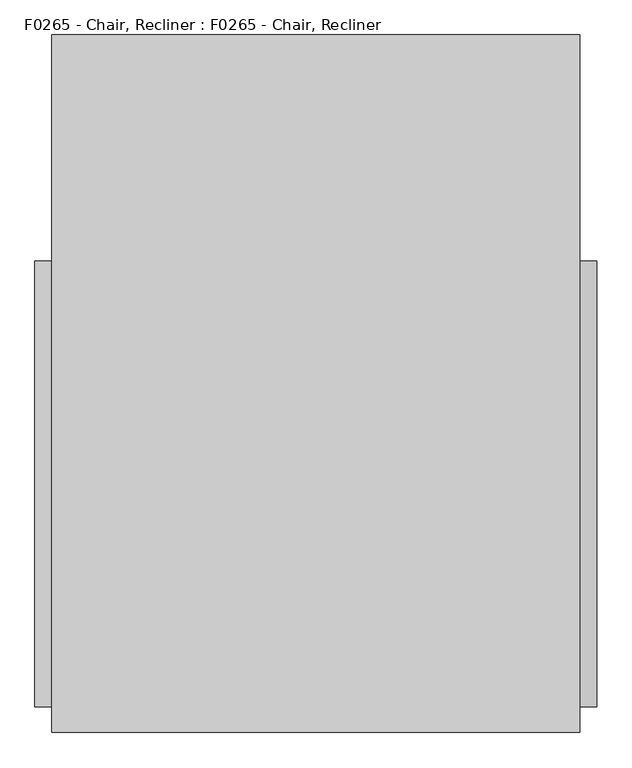
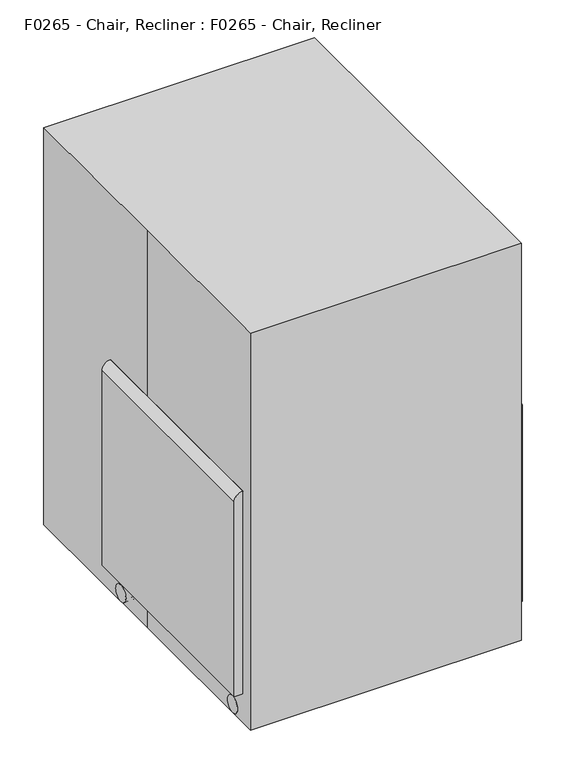
"""IFC4 building model written with IfcOpenShell, lengths in millimetres: proxy geometry, F0265 - Chair, Recliner : F0265 - Chair, Recliner."""

import ifcopenshell
import ifcopenshell.guid

model = None  # the IFC model being written
_history = None  # IfcOwnerHistory: only IFC2X3 demands one
_inside = {}  # id of a spatial element -> (the spatial element, [elements in it])
_under = {}  # id of a project, library or spatial element -> (it, [spatial elements below it])
_declared = {}  # id of a project -> (the project, [libraries it declares])
_typed = {}  # id of a type object -> (the type object, [elements of that type])
_made_of = {}  # id of a material, layer set ... -> (it, [elements and type objects made of it])


def new_model(schema):
    """Start an empty IFC model of exactly this schema.

    Asked for "IFC4X3", IfcOpenShell would pick the latest addendum, in which some entities
    have other attributes; the version numbers below select the first issue.
    IFC2X3 requires an IfcOwnerHistory on every rooted entity: one is made here for all.
    """
    global model, _history
    if schema == "IFC4X3":
        model = ifcopenshell.file(schema_version=(4, 3, 0, 0))
    else:
        model = ifcopenshell.file(schema=schema)
    _inside.clear()
    _under.clear()
    _declared.clear()
    _typed.clear()
    _made_of.clear()
    _history = None
    if model.schema == "IFC2X3":
        org = make("IfcOrganization", Name="unknown")
        user = make(
            "IfcPersonAndOrganization",
            ThePerson=make("IfcPerson", FamilyName="unknown"),
            TheOrganization=org,
        )
        app = make(
            "IfcApplication",
            ApplicationDeveloper=org,
            Version="unknown",
            ApplicationFullName="unknown",
            ApplicationIdentifier="unknown",
        )
        _history = make(
            "IfcOwnerHistory",
            OwningUser=user,
            OwningApplication=app,
            ChangeAction="ADDED",
            CreationDate=0,
        )
    return model


def make(cls, **values):
    """One entity of the class cls with the attributes given. An attribute that is None is left unset."""
    return model.create_entity(
        cls, **{name: value for name, value in values.items() if value is not None}
    )


def rooted(cls, **values):
    """An entity with a GlobalId (a new one), such as an element, a storey or a relation."""
    return make(cls, GlobalId=ifcopenshell.guid.new(), OwnerHistory=_history, **values)


def si_unit(unit_type, name, prefix=None):
    """IfcSIUnit, for example si_unit("LENGTHUNIT", "METRE", prefix="MILLI")."""
    return make("IfcSIUnit", UnitType=unit_type, Prefix=prefix, Name=name)


def assignment(units):
    """IfcUnitAssignment: the units of a project."""
    return None if units is None else make("IfcUnitAssignment", Units=units)


def point(xyz):
    """IfcCartesianPoint."""
    return None if xyz is None else make("IfcCartesianPoint", Coordinates=xyz)


def direction(xyz):
    """IfcDirection."""
    return None if xyz is None else make("IfcDirection", DirectionRatios=xyz)


def frame(location, z_axis=None, x_axis=None):
    """IfcAxis2Placement3D, a coordinate frame: its origin and axes. An axis left out is left unset."""
    return make(
        "IfcAxis2Placement3D",
        Location=point(location),
        Axis=direction(z_axis),
        RefDirection=direction(x_axis),
    )


def frame_2d(location, x_axis=None):
    """IfcAxis2Placement2D, a coordinate frame in the plane: its origin and x axis."""
    return make(
        "IfcAxis2Placement2D", Location=point(location), RefDirection=direction(x_axis)
    )


def origin():
    """The frame at (0, 0, 0) with its axes left unset."""
    return frame((0.0, 0.0, 0.0))


def origin_with_axes():
    """The frame at (0, 0, 0) with the z axis (0, 0, 1) and the x axis (1, 0, 0) written out."""
    return frame((0.0, 0.0, 0.0), z_axis=(0.0, 0.0, 1.0), x_axis=(1.0, 0.0, 0.0))


def place(relative_to, where):
    """IfcLocalPlacement: puts the frame where relative to a parent placement (None: the world)."""
    return make(
        "IfcLocalPlacement", PlacementRelTo=relative_to, RelativePlacement=where
    )


def context(
    kind, dimensions, precision=None, world=None, true_north=None, identifier=None
):
    """IfcGeometricRepresentationContext, for example the 3D "Model" context."""
    return make(
        "IfcGeometricRepresentationContext",
        ContextIdentifier=identifier,
        ContextType=kind,
        CoordinateSpaceDimension=dimensions,
        Precision=precision,
        WorldCoordinateSystem=world,
        TrueNorth=true_north,
    )


def project(units=None, contexts=None):
    """IfcProject with its units and contexts."""
    return rooted(
        "IfcProject",
        Name="project",
        RepresentationContexts=contexts,
        UnitsInContext=assignment(units),
    )


def spatial(cls, under=None, at=None, **own):
    """A site, building, storey or space (cls), placed at a placement, below another one or the project."""
    s = rooted(cls, ObjectPlacement=at, **own)
    if under is not None:
        _under.setdefault(under.id(), (under, []))[1].append(s)
    return s


def polyline(points):
    """IfcPolyline through the points."""
    return make("IfcPolyline", Points=[point(p) for p in points])


def circle_curve(where, radius):
    """IfcCircle in the frame where."""
    return make("IfcCircle", Position=where, Radius=radius)


def trimmed(basis, trim1, trim2, sense, master):
    """IfcTrimmedCurve: the piece of a basis curve between two trims."""
    return make(
        "IfcTrimmedCurve",
        BasisCurve=basis,
        Trim1=trim1,
        Trim2=trim2,
        SenseAgreement=sense,
        MasterRepresentation=master,
    )


def segment(curve, same_sense, transition):
    """IfcCompositeCurveSegment."""
    return make(
        "IfcCompositeCurveSegment",
        Transition=transition,
        SameSense=same_sense,
        ParentCurve=curve,
    )


def composite_curve(segments, self_intersect=None):
    """IfcCompositeCurve: segments joined end to end."""
    return make("IfcCompositeCurve", Segments=segments, SelfIntersect=self_intersect)


def outline(outer, holes=None, kind="AREA"):
    """IfcArbitraryClosedProfileDef: a profile drawn as a closed curve; with holes, ...WithVoids."""
    if holes is None:
        return make("IfcArbitraryClosedProfileDef", ProfileType=kind, OuterCurve=outer)
    return make(
        "IfcArbitraryProfileDefWithVoids",
        ProfileType=kind,
        OuterCurve=outer,
        InnerCurves=holes,
    )


def extrude(swept, where, along, depth):
    """IfcExtrudedAreaSolid: the profile swept, set in the frame where, extruded along a direction by depth."""
    return make(
        "IfcExtrudedAreaSolid",
        SweptArea=swept,
        Position=where,
        ExtrudedDirection=direction(along),
        Depth=depth,
    )


def shape(context_of_items, identifier, shape_type, items):
    """IfcShapeRepresentation: the items that make up one representation, for example the "Body"."""
    return make(
        "IfcShapeRepresentation",
        ContextOfItems=context_of_items,
        RepresentationIdentifier=identifier,
        RepresentationType=shape_type,
        Items=items,
    )


def source(mapping_origin, context_of_items, identifier, shape_type, items):
    """IfcRepresentationMap: a shape defined once, which mapped items show again and again."""
    return make(
        "IfcRepresentationMap",
        MappingOrigin=mapping_origin,
        MappedRepresentation=shape(context_of_items, identifier, shape_type, items),
    )


def transform(
    local_origin,
    x_axis=None,
    y_axis=None,
    z_axis=None,
    scale=None,
    scale2=None,
    scale3=None,
    uniform=True,
):
    """IfcCartesianTransformationOperator3D, or its non-uniform kind. x_axis, y_axis, z_axis: its Axis1, 2, 3."""
    if uniform:
        return make(
            "IfcCartesianTransformationOperator3D",
            Axis1=direction(x_axis),
            Axis2=direction(y_axis),
            LocalOrigin=point(local_origin),
            Scale=scale,
            Axis3=direction(z_axis),
        )
    return make(
        "IfcCartesianTransformationOperator3DnonUniform",
        Axis1=direction(x_axis),
        Axis2=direction(y_axis),
        LocalOrigin=point(local_origin),
        Scale=scale,
        Axis3=direction(z_axis),
        Scale2=scale2,
        Scale3=scale3,
    )


def mapped(mapping_source, mapping_target):
    """IfcMappedItem: shows the shape of a source again, moved by a transform."""
    return make(
        "IfcMappedItem", MappingSource=mapping_source, MappingTarget=mapping_target
    )


def made_of(thing, what):
    """Note that an element or type object is made of a material, layer set ...; save() writes the relation."""
    if what is not None:
        _made_of.setdefault(what.id(), (what, []))[1].append(thing)
    return thing


def element(
    cls,
    number,
    at=None,
    inside=None,
    cuts=None,
    type_object=None,
    material=None,
    context=None,
    identifier="Body",
    shape_type=None,
    held_by="IfcProductDefinitionShape",
    body=None,
    shapes=None,
    **own,
):
    """One element of the class cls, such as IfcWall. Its Tag is "e" and its number.

    at: its placement. inside: the storey or other place that contains it. cuts: it is an
    opening in that element (IfcRelVoidsElement). A single representation is given by context,
    identifier, shape_type and body (its items); several are given by shapes. held_by: the class
    of the entity that holds the representations. save() writes the other relations.
    """
    e = rooted(cls, Tag="e%d" % number, ObjectPlacement=at, **own)
    if body is not None:
        shapes = [shape(context, identifier, shape_type, body)]
    if shapes is not None:
        e.Representation = make(held_by, Representations=shapes)
    if inside is not None:
        _inside.setdefault(inside.id(), (inside, []))[1].append(e)
    if cuts is not None:
        rooted(
            "IfcRelVoidsElement", RelatingBuildingElement=cuts, RelatedOpeningElement=e
        )
    if type_object is not None:
        _typed.setdefault(type_object.id(), (type_object, []))[1].append(e)
    return made_of(e, material)


def aggregate(whole, parts):
    """IfcRelAggregates: a whole, such as a stair, and the parts it consists of."""
    return rooted("IfcRelAggregates", RelatingObject=whole, RelatedObjects=parts)


def save(model, path):
    """Write the relations noted so far, then the file.

    IfcRelAggregates (storeys below a building ...), IfcRelContainedInSpatialStructure (elements
    in a storey), IfcRelDefinesByType, IfcRelAssociatesMaterial and IfcRelDeclares: one each for
    every whole, place, type object, material and project.
    """
    for whole, parts in _under.values():
        aggregate(whole, parts)
    for where, things in _inside.values():
        rooted(
            "IfcRelContainedInSpatialStructure",
            RelatedElements=things,
            RelatingStructure=where,
        )
    for kind, things in _typed.values():
        rooted("IfcRelDefinesByType", RelatedObjects=things, RelatingType=kind)
    for what, things in _made_of.values():
        rooted("IfcRelAssociatesMaterial", RelatedObjects=things, RelatingMaterial=what)
    for by, libraries in _declared.values():
        rooted("IfcRelDeclares", RelatingContext=by, RelatedDefinitions=libraries)
    model.write(path)


def f0265_chair_recliner_f0265_chair_recliner_6c0222d9(model_context):
    return source(origin(), model_context, "Body", "SweptSolid", [
        extrude(outline(composite_curve([segment(trimmed(circle_curve(frame_2d((131.7625, 25.4)), 25.4), [point((106.3625, 25.4))], [point((157.1625, 25.4))], False, "CARTESIAN"), True, "CONTINUOUS"), segment(trimmed(circle_curve(frame_2d((131.7625, 25.4)), 25.4), [point((157.1625, 25.4))], [point((106.3625, 25.4))], False, "CARTESIAN"), True, "CONTINUOUS")], self_intersect=False)), frame((-365.125, 0.0, 0.0), z_axis=(1.0, 0.0, 0.0), x_axis=(0.0, 1.0, 0.0)), (0.0, 0.0, 1.0), 9.525),
        extrude(outline(composite_curve([segment(trimmed(circle_curve(frame_2d((-374.65, 141.2875)), 7.9375), [point((-366.7125, 141.2875))], [point((-382.5875, 141.2875))], False, "CARTESIAN"), True, "CONTINUOUS"), segment(trimmed(circle_curve(frame_2d((-374.65, 141.2875)), 7.9375), [point((-382.5875, 141.2875))], [point((-366.7125, 141.2875))], False, "CARTESIAN"), True, "CONTINUOUS")], self_intersect=False)), frame((0.0, 0.0, 24.4243927), z_axis=(0.0, 0.0, 1.0), x_axis=(1.0, 0.0, 0.0)), (0.0, 0.0, 1.0), 64.4756073),
        extrude(outline(composite_curve([segment(trimmed(circle_curve(frame_2d((131.7625, 25.4)), 19.05), [point((150.8125, 25.4))], [point((112.7125, 25.4))], False, "CARTESIAN"), True, "CONTINUOUS"), segment(trimmed(circle_curve(frame_2d((131.7625, 25.4)), 19.05), [point((112.7125, 25.4))], [point((150.8125, 25.4))], False, "CARTESIAN"), True, "CONTINUOUS")], self_intersect=False)), frame((-384.175, 0.0, 0.0), z_axis=(1.0, 0.0, 0.0), x_axis=(0.0, 1.0, 0.0)), (0.0, 0.0, 1.0), 19.05),
        extrude(outline(composite_curve([segment(trimmed(circle_curve(frame_2d((131.7625, 25.4)), 25.4), [point((106.3625, 25.4))], [point((157.1625, 25.4))], False, "CARTESIAN"), True, "CONTINUOUS"), segment(trimmed(circle_curve(frame_2d((131.7625, 25.4)), 25.4), [point((157.1625, 25.4))], [point((106.3625, 25.4))], False, "CARTESIAN"), True, "CONTINUOUS")], self_intersect=False)), frame((-393.7, 0.0, 0.0), z_axis=(1.0, 0.0, 0.0), x_axis=(0.0, 1.0, 0.0)), (0.0, 0.0, 1.0), 9.525),
        extrude(outline(composite_curve([segment(trimmed(circle_curve(frame_2d((131.7625, 25.4)), 25.4), [point((106.3625, 25.4))], [point((157.1625, 25.4))], False, "CARTESIAN"), True, "CONTINUOUS"), segment(trimmed(circle_curve(frame_2d((131.7625, 25.4)), 25.4), [point((157.1625, 25.4))], [point((106.3625, 25.4))], False, "CARTESIAN"), True, "CONTINUOUS")], self_intersect=False)), frame((355.6, 0.0, 0.0), z_axis=(1.0, 0.0, 0.0), x_axis=(0.0, 1.0, 0.0)), (0.0, 0.0, 1.0), 9.525),
        extrude(outline(composite_curve([segment(trimmed(circle_curve(frame_2d((374.65, 141.2875)), 7.9375), [point((366.7125, 141.2875))], [point((382.5875, 141.2875))], False, "CARTESIAN"), True, "CONTINUOUS"), segment(trimmed(circle_curve(frame_2d((374.65, 141.2875)), 7.9375), [point((382.5875, 141.2875))], [point((366.7125, 141.2875))], False, "CARTESIAN"), True, "CONTINUOUS")], self_intersect=False)), frame((0.0, 0.0, 24.4243927), z_axis=(0.0, 0.0, 1.0), x_axis=(1.0, 0.0, 0.0)), (0.0, 0.0, 1.0), 64.4756073),
        extrude(outline(composite_curve([segment(trimmed(circle_curve(frame_2d((131.7625, 25.4)), 19.05), [point((150.8125, 25.4))], [point((112.7125, 25.4))], False, "CARTESIAN"), True, "CONTINUOUS"), segment(trimmed(circle_curve(frame_2d((131.7625, 25.4)), 19.05), [point((112.7125, 25.4))], [point((150.8125, 25.4))], False, "CARTESIAN"), True, "CONTINUOUS")], self_intersect=False)), frame((365.125, 0.0, 0.0), z_axis=(1.0, 0.0, 0.0), x_axis=(0.0, 1.0, 0.0)), (0.0, 0.0, 1.0), 19.05),
        extrude(outline(composite_curve([segment(trimmed(circle_curve(frame_2d((131.7625, 25.4)), 25.4), [point((106.3625, 25.4))], [point((157.1625, 25.4))], False, "CARTESIAN"), True, "CONTINUOUS"), segment(trimmed(circle_curve(frame_2d((131.7625, 25.4)), 25.4), [point((157.1625, 25.4))], [point((106.3625, 25.4))], False, "CARTESIAN"), True, "CONTINUOUS")], self_intersect=False)), frame((384.175, 0.0, 0.0), z_axis=(1.0, 0.0, 0.0), x_axis=(0.0, 1.0, 0.0)), (0.0, 0.0, 1.0), 9.525),
        extrude(outline(composite_curve([segment(trimmed(circle_curve(frame_2d((-430.2125, 25.4)), 25.4), [point((-404.8125, 25.4))], [point((-455.6125, 25.4))], False, "CARTESIAN"), True, "CONTINUOUS"), segment(trimmed(circle_curve(frame_2d((-430.2125, 25.4)), 25.4), [point((-455.6125, 25.4))], [point((-404.8125, 25.4))], False, "CARTESIAN"), True, "CONTINUOUS")], self_intersect=False)), frame((-365.125, 0.0, 0.0), z_axis=(1.0, 0.0, 0.0), x_axis=(0.0, 1.0, 0.0)), (0.0, 0.0, 1.0), 9.525),
        extrude(outline(composite_curve([segment(trimmed(circle_curve(frame_2d((-374.65, -439.7375)), 7.9375), [point((-366.7125, -439.7375))], [point((-382.5875, -439.7375))], False, "CARTESIAN"), True, "CONTINUOUS"), segment(trimmed(circle_curve(frame_2d((-374.65, -439.7375)), 7.9375), [point((-382.5875, -439.7375))], [point((-366.7125, -439.7375))], False, "CARTESIAN"), True, "CONTINUOUS")], self_intersect=False)), frame((0.0, 0.0, 24.4243927), z_axis=(0.0, 0.0, 1.0), x_axis=(1.0, 0.0, 0.0)), (0.0, 0.0, 1.0), 64.4756073),
        extrude(outline(composite_curve([segment(trimmed(circle_curve(frame_2d((-430.2125, 25.4)), 19.05), [point((-449.2625, 25.4))], [point((-411.1625, 25.4))], False, "CARTESIAN"), True, "CONTINUOUS"), segment(trimmed(circle_curve(frame_2d((-430.2125, 25.4)), 19.05), [point((-411.1625, 25.4))], [point((-449.2625, 25.4))], False, "CARTESIAN"), True, "CONTINUOUS")], self_intersect=False)), frame((-384.175, 0.0, 0.0), z_axis=(1.0, 0.0, 0.0), x_axis=(0.0, 1.0, 0.0)), (0.0, 0.0, 1.0), 19.05),
        extrude(outline(composite_curve([segment(trimmed(circle_curve(frame_2d((-430.2125, 25.4)), 25.4), [point((-404.8125, 25.4))], [point((-455.6125, 25.4))], False, "CARTESIAN"), True, "CONTINUOUS"), segment(trimmed(circle_curve(frame_2d((-430.2125, 25.4)), 25.4), [point((-455.6125, 25.4))], [point((-404.8125, 25.4))], False, "CARTESIAN"), True, "CONTINUOUS")], self_intersect=False)), frame((-393.7, 0.0, 0.0), z_axis=(1.0, 0.0, 0.0), x_axis=(0.0, 1.0, 0.0)), (0.0, 0.0, 1.0), 9.525),
        extrude(outline(composite_curve([segment(trimmed(circle_curve(frame_2d((-430.2125, 25.4)), 25.4), [point((-404.8125, 25.4))], [point((-455.6125, 25.4))], False, "CARTESIAN"), True, "CONTINUOUS"), segment(trimmed(circle_curve(frame_2d((-430.2125, 25.4)), 25.4), [point((-455.6125, 25.4))], [point((-404.8125, 25.4))], False, "CARTESIAN"), True, "CONTINUOUS")], self_intersect=False)), frame((355.6, 0.0, 0.0), z_axis=(1.0, 0.0, 0.0), x_axis=(0.0, 1.0, 0.0)), (0.0, 0.0, 1.0), 9.525),
        extrude(outline(composite_curve([segment(trimmed(circle_curve(frame_2d((374.65, -439.7375)), 7.9375), [point((366.7125, -439.7375))], [point((382.5875, -439.7375))], False, "CARTESIAN"), True, "CONTINUOUS"), segment(trimmed(circle_curve(frame_2d((374.65, -439.7375)), 7.9375), [point((382.5875, -439.7375))], [point((366.7125, -439.7375))], False, "CARTESIAN"), True, "CONTINUOUS")], self_intersect=False)), frame((0.0, 0.0, 24.4243927), z_axis=(0.0, 0.0, 1.0), x_axis=(1.0, 0.0, 0.0)), (0.0, 0.0, 1.0), 64.4756073),
        extrude(outline(composite_curve([segment(trimmed(circle_curve(frame_2d((-430.2125, 25.4)), 19.05), [point((-449.2625, 25.4))], [point((-411.1625, 25.4))], False, "CARTESIAN"), True, "CONTINUOUS"), segment(trimmed(circle_curve(frame_2d((-430.2125, 25.4)), 19.05), [point((-411.1625, 25.4))], [point((-449.2625, 25.4))], False, "CARTESIAN"), True, "CONTINUOUS")], self_intersect=False)), frame((365.125, 0.0, 0.0), z_axis=(1.0, 0.0, 0.0), x_axis=(0.0, 1.0, 0.0)), (0.0, 0.0, 1.0), 19.05),
        extrude(outline(composite_curve([segment(trimmed(circle_curve(frame_2d((-430.2125, 25.4)), 25.4), [point((-404.8125, 25.4))], [point((-455.6125, 25.4))], False, "CARTESIAN"), True, "CONTINUOUS"), segment(trimmed(circle_curve(frame_2d((-430.2125, 25.4)), 25.4), [point((-455.6125, 25.4))], [point((-404.8125, 25.4))], False, "CARTESIAN"), True, "CONTINUOUS")], self_intersect=False)), frame((384.175, 0.0, 0.0), z_axis=(1.0, 0.0, 0.0), x_axis=(0.0, 1.0, 0.0)), (0.0, 0.0, 1.0), 9.525),
        extrude(outline(polyline([(330.2, 182.829858), (330.2, 132.029858), (-330.2, 132.029858), (-330.2, 182.829858), (330.2, 182.829858)])), frame((0.0, 0.0, 88.9), z_axis=(0.0, 0.0, 1.0), x_axis=(1.0, 0.0, 0.0)), (0.0, 0.0, 1.0), 330.2),
        extrude(outline(composite_curve([segment(polyline([(111.703548, 399.3779888), (62.634516, 412.5259963)]), True, "CONTINUOUS"), segment(trimmed(circle_curve(frame_2d((69.2085197, 437.0605122)), 25.4), [point((62.634516, 412.5259963))], [point((44.6740037, 443.634516))], False, "CARTESIAN"), True, "CONTINUOUS"), segment(polyline([(44.6740037, 443.634516), (235.8233241, 1157.0134915)]), True, "CONTINUOUS"), segment(trimmed(circle_curve(frame_2d((260.3578401, 1150.4394878)), 25.4), [point((235.8233241, 1157.0134915))], [point((266.9318439, 1174.9740037))], False, "CARTESIAN"), True, "CONTINUOUS"), segment(polyline([(266.9318439, 1174.9740037), (316.0008758, 1161.8259963)]), True, "CONTINUOUS"), segment(trimmed(circle_curve(frame_2d((309.4268721, 1137.2914803)), 25.4), [point((316.0008758, 1161.8259963))], [point((333.9613881, 1130.7174765))], False, "CARTESIAN"), True, "CONTINUOUS"), segment(polyline([(333.9613881, 1130.7174765), (142.8120677, 417.338501)]), True, "CONTINUOUS"), segment(trimmed(circle_curve(frame_2d((118.2775517, 423.9125048)), 25.4), [point((142.8120677, 417.338501))], [point((111.703548, 399.3779888))], False, "CARTESIAN"), True, "CONTINUOUS")], self_intersect=False)), frame((-330.2, 0.0, 0.0), z_axis=(1.0, 0.0, 0.0), x_axis=(0.0, 1.0, 0.0)), (0.0, 0.0, 1.0), 660.4),
        extrude(outline(composite_curve([segment(polyline([(711.2, -355.6), (711.2, -393.7)]), True, "CONTINUOUS"), segment(trimmed(circle_curve(frame_2d((685.8, -393.7)), 25.4), [point((711.2, -393.7))], [point((685.8, -419.1))], False, "CARTESIAN"), True, "CONTINUOUS"), segment(polyline([(685.8, -419.1), (88.9, -419.1), (88.9, -330.2), (685.8, -330.2)]), True, "CONTINUOUS"), segment(trimmed(circle_curve(frame_2d((685.8, -355.6)), 25.4), [point((685.8, -330.2))], [point((711.2, -355.6))], False, "CARTESIAN"), True, "CONTINUOUS")], self_intersect=False)), frame((0.0, -482.6, 0.0), z_axis=(0.0, 1.0, 0.0), x_axis=(0.0, 0.0, 1.0)), (0.0, 0.0, 1.0), 665.429858),
        extrude(outline(composite_curve([segment(polyline([(711.2, 393.7), (711.2, 355.6)]), True, "CONTINUOUS"), segment(trimmed(circle_curve(frame_2d((685.8, 355.6)), 25.4), [point((711.2, 355.6))], [point((685.8, 330.2))], False, "CARTESIAN"), True, "CONTINUOUS"), segment(polyline([(685.8, 330.2), (88.9, 330.2), (88.9, 419.1), (685.8, 419.1)]), True, "CONTINUOUS"), segment(trimmed(circle_curve(frame_2d((685.8, 393.7)), 25.4), [point((685.8, 419.1))], [point((711.2, 393.7))], False, "CARTESIAN"), True, "CONTINUOUS")], self_intersect=False)), frame((0.0, -482.6, 0.0), z_axis=(0.0, 1.0, 0.0), x_axis=(0.0, 0.0, 1.0)), (0.0, 0.0, 1.0), 665.429858),
        extrude(outline(composite_curve([segment(polyline([(406.4, 269.6121072), (406.4, -266.7)]), True, "CONTINUOUS"), segment(trimmed(circle_curve(frame_2d((355.6, -266.7)), 50.8), [point((406.4, -266.7))], [point((355.6, -317.5))], False, "CARTESIAN"), True, "CONTINUOUS"), segment(polyline([(355.6, -317.5), (139.7, -317.5)]), True, "CONTINUOUS"), segment(trimmed(circle_curve(frame_2d((139.7, -266.7)), 50.8), [point((139.7, -317.5))], [point((88.9, -266.7))], False, "CARTESIAN"), True, "CONTINUOUS"), segment(polyline([(88.9, -266.7), (88.9, 269.6121072)]), True, "CONTINUOUS"), segment(trimmed(circle_curve(frame_2d((139.7, 269.6121072)), 50.8), [point((88.9, 269.6121072))], [point((139.7, 320.4121072))], False, "CARTESIAN"), True, "CONTINUOUS"), segment(polyline([(139.7, 320.4121072), (355.6, 320.4121072)]), True, "CONTINUOUS"), segment(trimmed(circle_curve(frame_2d((355.6, 269.6121072)), 50.8), [point((355.6, 320.4121072))], [point((406.4, 269.6121072))], False, "CARTESIAN"), True, "CONTINUOUS")], self_intersect=False)), frame((0.0, -482.6, 0.0), z_axis=(0.0, 1.0, 0.0), x_axis=(0.0, 0.0, 1.0)), (0.0, 0.0, 1.0), 101.6),
        extrude(outline(composite_curve([segment(trimmed(circle_curve(frame_2d((279.4, -12.7)), 50.8), [point((279.4, 38.1))], [point((330.2, -12.7))], False, "CARTESIAN"), True, "CONTINUOUS"), segment(polyline([(330.2, -12.7), (330.2, -431.8)]), True, "CONTINUOUS"), segment(trimmed(circle_curve(frame_2d((279.4, -431.8)), 50.8), [point((330.2, -431.8))], [point((279.4, -482.6))], False, "CARTESIAN"), True, "CONTINUOUS"), segment(polyline([(279.4, -482.6), (-279.4, -482.6)]), True, "CONTINUOUS"), segment(trimmed(circle_curve(frame_2d((-279.4, -431.8)), 50.8), [point((-279.4, -482.6))], [point((-330.2, -431.8))], False, "CARTESIAN"), True, "CONTINUOUS"), segment(polyline([(-330.2, -431.8), (-330.2, -12.7)]), True, "CONTINUOUS"), segment(trimmed(circle_curve(frame_2d((-279.4, -12.7)), 50.8), [point((-330.2, -12.7))], [point((-279.4, 38.1))], False, "CARTESIAN"), True, "CONTINUOUS"), segment(polyline([(-279.4, 38.1), (279.4, 38.1)]), True, "CONTINUOUS")], self_intersect=False)), frame((0.0, 0.0, 419.1), z_axis=(0.0, 0.0, 1.0), x_axis=(1.0, 0.0, 0.0)), (0.0, 0.0, 1.0), 101.6),
        extrude(outline(polyline([(-393.7, 520.7), (393.7, 520.7), (393.7, -520.7), (-393.7, -520.7), (-393.7, 0.0), (-393.7, 520.7)])), origin_with_axes(), (0.0, 0.0, 1.0), 1219.2),
    ])


if __name__ == "__main__":
    model = new_model("IFC4")
    model_context = context("Model", 3, world=origin())
    ifc_project = project(units=[si_unit("LENGTHUNIT", "METRE", prefix="MILLI")], contexts=[model_context])
    site = spatial("IfcSite", under=ifc_project)
    building = spatial("IfcBuilding", under=site)
    placement = place(None, origin())
    f0265_chair_recliner_f0265_chair_recliner_shape = f0265_chair_recliner_f0265_chair_recliner_6c0222d9(model_context)
    element("IfcBuildingElementProxy", 1, Name="F0265 - Chair, Recliner : F0265 - Chair, Recliner", ObjectType="F0265 - Chair, Recliner : F0265 - Chair, Recliner", at=placement, inside=building, context=model_context, shape_type="MappedRepresentation", body=[
        mapped(f0265_chair_recliner_f0265_chair_recliner_shape, transform((0.0, 0.0, 0.0), x_axis=(1.0, 0.0, 0.0), y_axis=(0.0, 1.0, 0.0), z_axis=(0.0, 0.0, 1.0))),
    ])
    save(model, "model.ifc")
